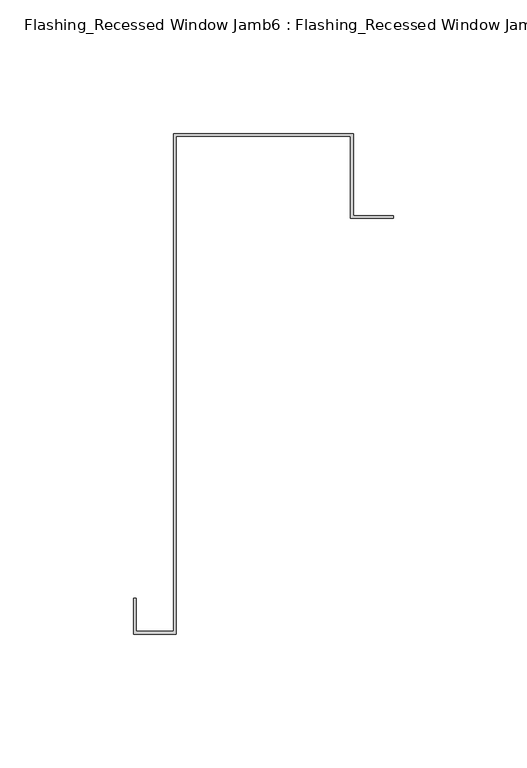
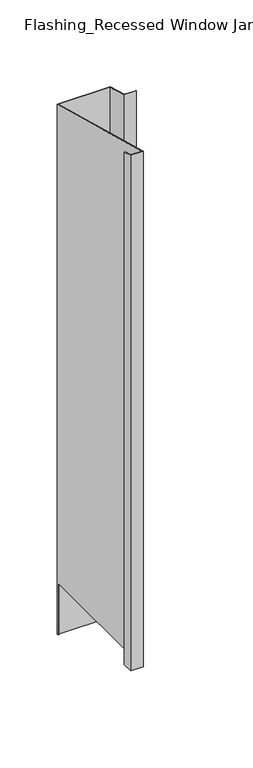
"""IFC4 building model written with IfcOpenShell, lengths in millimetres: proxy geometry, Flashing_Recessed Window Jamb6 : Flashing_Recessed Window Jamb."""

from ifc_helpers import new_model, si_unit, origin, place, context, project, spatial, faceted_brep, source, transform, mapped, element, save


def flashing_recessed_window_jamb6_flashing_recessed_window_jamb_4b84f8bb(model_context):
    return source(origin(), model_context, "Body", "Brep", [
        faceted_brep([(12492.8541786, 626.9865096, -1055.1751138), (12492.8541786, 657.7344915, -1055.1751138), (12427.4791786, 657.7344915, -1055.1751138), (12427.4791786, 656.8026399, -1055.1751138), (12426.4791786, 656.8026399, -1055.1751138), (12426.4791786, 658.7344915, -1055.1751138), (12493.8541786, 658.7344915, -1055.1751138), (12493.8541786, 627.9865096, -1055.1751138), (12508.8541786, 627.9865096, -1055.1751138), (12508.8541786, 626.9865096, -1055.1751138), (12493.8541786, 658.7344915, -343.2151173), (12493.8541786, 627.9865096, -334.9762204), (12426.4791786, 658.7344915, -343.2151173), (12426.4791786, 656.8026399, -985.662203), (12426.4791786, 472.3615096, -985.662203), (12426.4791786, 472.3615096, -293.2766273), (12412.4791786, 472.3615096, -293.2766273), (12412.4791786, 472.3615096, -985.662203), (12412.4791786, 484.6872381, -296.5792963), (12412.4791786, 484.6872381, -985.662203), (12411.4791786, 484.6872381, -296.5792963), (12411.4791786, 484.6872381, -985.662203), (12411.4791786, 471.3615096, -293.0086781), (12411.4791786, 471.3615096, -985.662203), (12427.4791786, 471.3615096, -293.0086781), (12427.4791786, 471.3615096, -985.662203), (12427.4791786, 657.7344915, -342.9471681), (12427.4791786, 656.8026399, -985.662203), (12492.8541786, 657.7344915, -342.9471681), (12492.8541786, 626.9865096, -334.7082712), (12508.8541786, 626.9865096, -334.7082712), (12508.8541786, 627.9865096, -334.9762204)], [[[0, 1, 2, 3, 4, 5, 6, 7, 8, 9]], [[7, 6, 10, 11]], [[6, 5, 12, 10]], [[12, 5, 4, 13, 14, 15]], [[16, 15, 14, 17]], [[18, 16, 17, 19]], [[20, 18, 19, 21]], [[22, 20, 21, 23]], [[24, 22, 23, 25]], [[2, 26, 24, 25, 27, 3]], [[2, 1, 28, 26]], [[1, 0, 29, 28]], [[0, 9, 30, 29]], [[9, 8, 31, 30]], [[8, 7, 11, 31]], [[11, 10, 12, 15, 16, 18, 20, 22, 24, 26, 28, 29, 30, 31]], [[13, 27, 25, 23, 21, 19, 17, 14]], [[27, 13, 4, 3]]]),
    ])


if __name__ == "__main__":
    model = new_model("IFC4")
    model_context = context("Model", 3, world=origin())
    ifc_project = project(units=[si_unit("LENGTHUNIT", "METRE", prefix="MILLI")], contexts=[model_context])
    site = spatial("IfcSite", under=ifc_project)
    building = spatial("IfcBuilding", under=site)
    placement = place(None, origin())
    flashing_recessed_window_jamb6_flashing_recessed_window_jamb_shape = flashing_recessed_window_jamb6_flashing_recessed_window_jamb_4b84f8bb(model_context)
    element("IfcBuildingElementProxy", 1, Name="Flashing_Recessed Window Jamb6 : Flashing_Recessed Window Jamb", ObjectType="Flashing_Recessed Window Jamb6 : Flashing_Recessed Window Jamb", at=placement, inside=building, context=model_context, shape_type="MappedRepresentation", body=[
        mapped(flashing_recessed_window_jamb6_flashing_recessed_window_jamb_shape, transform((0.0, 0.0, 0.0), x_axis=(1.0, 0.0, 0.0), y_axis=(0.0, 1.0, 0.0), z_axis=(0.0, 0.0, 1.0))),
    ])
    save(model, "model.ifc")
